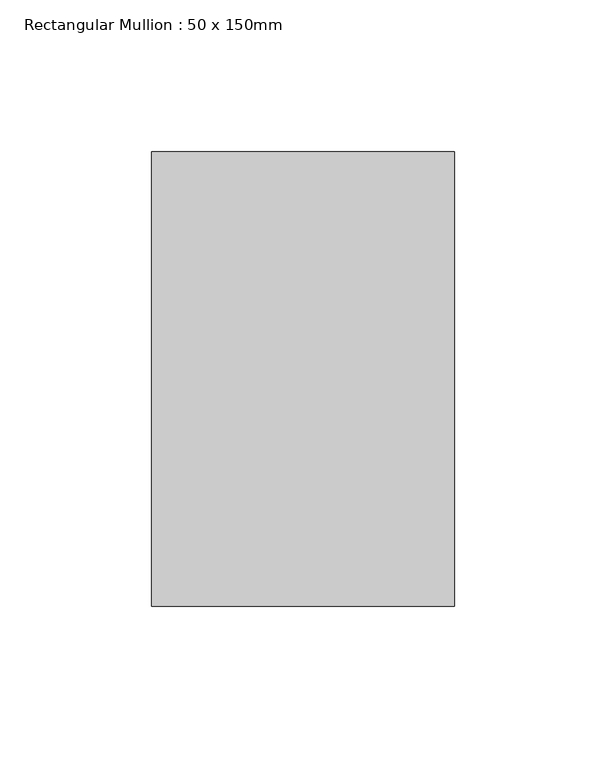
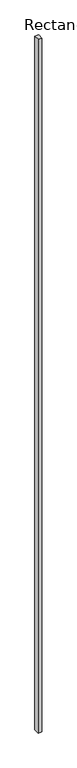
"""IFC4 building model written with IfcOpenShell, lengths in millimetres: member geometry, Rectangular Mullion : 50 x 150mm."""

from ifc_helpers import new_model, si_unit, frame, origin, place, context, project, spatial, polyline, outline, extrude, source, transform, mapped, element, save


def rectangular_mullion_50_x_150mm_ea25635f(model_context):
    return source(origin(), model_context, "Body", "SweptSolid", [
        extrude(outline(polyline([(50.0, 75.0), (50.0, -75.0), (-50.0, -75.0), (-50.0, 75.0), (50.0, 75.0)])), frame((0.0, 0.0, -19339.4873276), z_axis=(0.0, 0.0, 1.0), x_axis=(1.0, 0.0, 0.0)), (0.0, 0.0, 1.0), 19339.4873276),
    ])


if __name__ == "__main__":
    model = new_model("IFC4")
    model_context = context("Model", 3, world=origin())
    ifc_project = project(units=[si_unit("LENGTHUNIT", "METRE", prefix="MILLI")], contexts=[model_context])
    site = spatial("IfcSite", under=ifc_project)
    building = spatial("IfcBuilding", under=site)
    placement = place(None, origin())
    rectangular_mullion_50_x_150mm_shape = rectangular_mullion_50_x_150mm_ea25635f(model_context)
    element("IfcMember", 1, ObjectType="Rectangular Mullion : 50 x 150mm", at=placement, inside=building, context=model_context, shape_type="MappedRepresentation", body=[
        mapped(rectangular_mullion_50_x_150mm_shape, transform((0.0, 0.0, 0.0), x_axis=(1.0, 0.0, 0.0), y_axis=(0.0, 1.0, 0.0), z_axis=(0.0, 0.0, 1.0))),
    ])
    save(model, "model.ifc")
